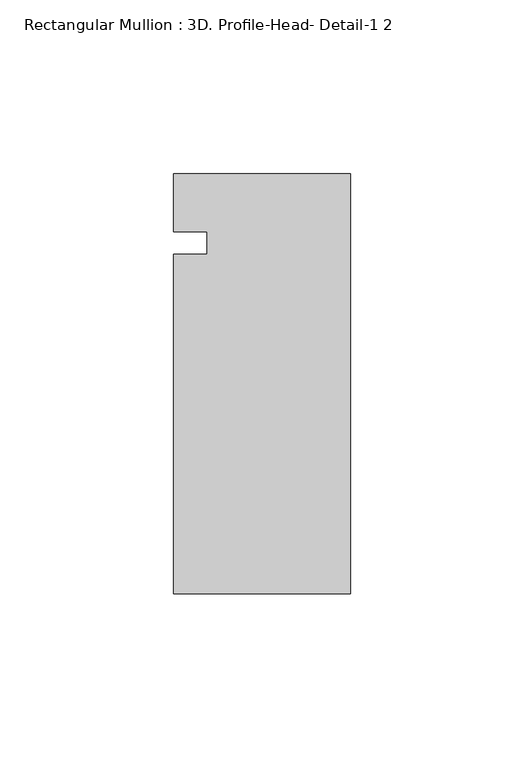
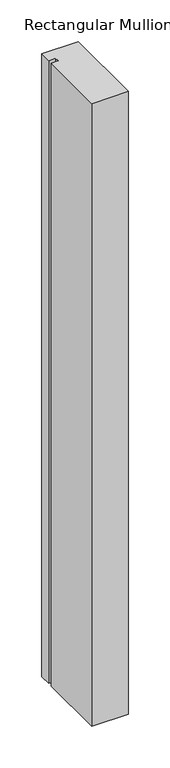
"""IFC4 building model written with IfcOpenShell, lengths in millimetres: member geometry, Rectangular Mullion : 3D. Profile-Head- Detail-1 2."""

from ifc_helpers import new_model, si_unit, frame, origin, place, context, project, spatial, polyline, outline, extrude, source, transform, mapped, element, save


def rectangular_mullion_3d_profile_head_detail_1_2_d2e800f6(model_context):
    return source(origin(), model_context, "Body", "SweptSolid", [
        extrude(outline(polyline([(0.0, -59.9711801), (-50.8, -59.9711801), (-50.8, 37.5487695), (-41.275, 37.5487695), (-41.275, 43.9875445), (-50.8, 43.9875445), (-50.8, 60.6788199), (0.0, 60.6788199), (0.0, -59.9711801)])), frame((0.0, 0.0, -914.4), z_axis=(0.0, 0.0, 1.0), x_axis=(1.0, 0.0, 0.0)), (0.0, 0.0, 1.0), 914.4),
    ])


if __name__ == "__main__":
    model = new_model("IFC4")
    model_context = context("Model", 3, world=origin())
    ifc_project = project(units=[si_unit("LENGTHUNIT", "METRE", prefix="MILLI")], contexts=[model_context])
    site = spatial("IfcSite", under=ifc_project)
    building = spatial("IfcBuilding", under=site)
    placement = place(None, origin())
    rectangular_mullion_3d_profile_head_detail_1_2_shape = rectangular_mullion_3d_profile_head_detail_1_2_d2e800f6(model_context)
    element("IfcMember", 1, ObjectType="Rectangular Mullion : 3D. Profile-Head- Detail-1 2", at=placement, inside=building, context=model_context, shape_type="MappedRepresentation", body=[
        mapped(rectangular_mullion_3d_profile_head_detail_1_2_shape, transform((0.0, 0.0, 0.0), x_axis=(1.0, 0.0, 0.0), y_axis=(0.0, 1.0, 0.0), z_axis=(0.0, 0.0, 1.0))),
    ])
    save(model, "model.ifc")
